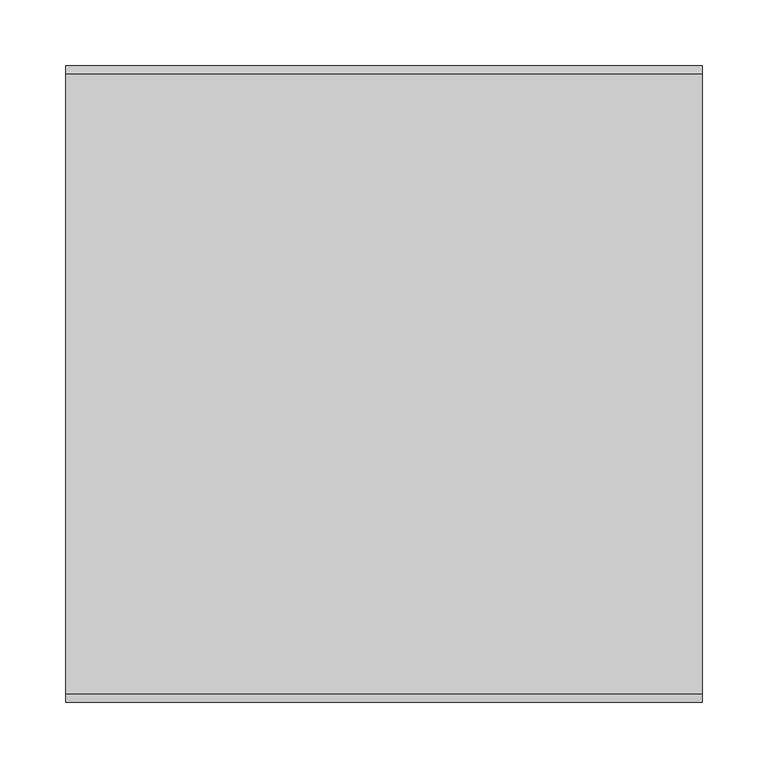
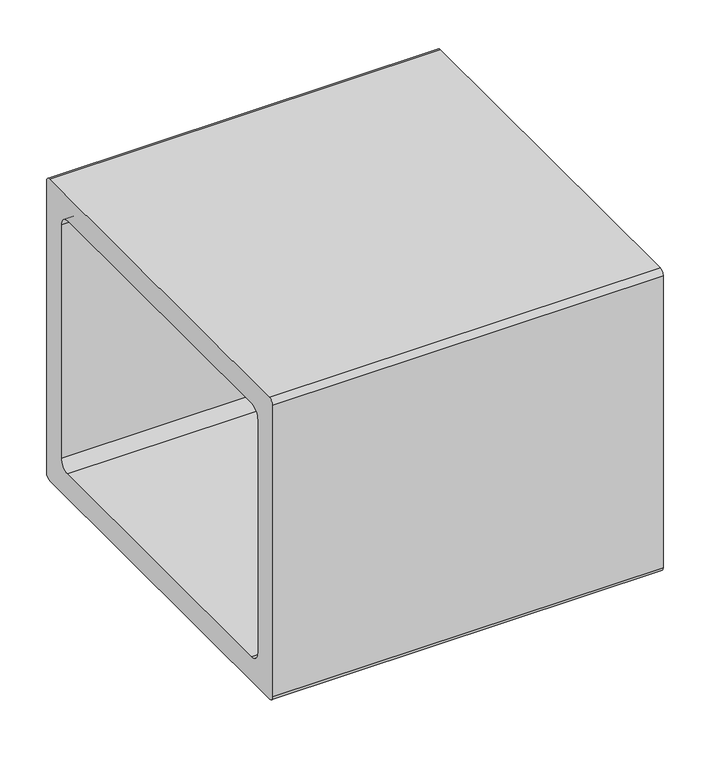
"""IFC4 building model written with IfcOpenShell, lengths in millimetres: furniture geometry."""

from ifc_helpers import new_model, si_unit, point, frame, frame_2d, origin, place, context, project, spatial, polyline, circle_curve, trimmed, segment, composite_curve, outline, extrude, faceted_brep, source, transform, mapped, element, save


def furniture_41b2c710(model_context):
    return source(origin(), model_context, "Body", "SolidModel", [
        faceted_brep([(143.612495, 184.9592493, 25.4000008), (140.437489, 181.7842432, 25.4000008), (140.437489, 137.3342311, 25.4000008), (143.612495, 134.1592432, 25.4000008), (188.062489, 134.1592432, 25.4000008), (191.237495, 137.3342311, 25.4000008), (191.237495, 181.7842432, 25.4000008), (188.062489, 184.9592493, 25.4000008), (191.237495, 188.1342372, 0.0), (194.4124829, 184.9592493, 0.0), (194.4124829, 134.1592432, 0.0), (191.237495, 130.9842553, 0.0), (140.437489, 130.9842553, 0.0), (137.2624829, 134.1592432, 0.0), (137.2624829, 184.9592493, 0.0), (140.437489, 188.1342372, 0.0), (143.612495, 184.9592493, 3.1750001), (140.437489, 181.7842432, 3.1750001), (140.437489, 137.3342311, 3.1750001), (143.612495, 134.1592432, 3.1750001), (188.062489, 134.1592432, 3.1750001), (191.237495, 137.3342311, 3.1750001), (191.237495, 181.7842432, 3.1750001), (188.062489, 184.9592493, 3.1750001), (191.237495, 188.1342372, 3.1750001), (140.437489, 188.1342372, 3.1750001), (137.2624829, 184.9592493, 3.1750001), (137.2624829, 134.1592432, 3.1750001), (140.437489, 130.9842553, 3.1750001), (191.237495, 130.9842553, 3.1750001), (194.4124829, 134.1592432, 3.1750001), (194.4124829, 184.9592493, 3.1750001)], [[[0, 1, 2, 3, 4, 5, 6, 7]], [[8, 9, 10, 11, 12, 13, 14, 15]], [[1, 0, 16, 17]], [[2, 1, 17, 18]], [[3, 2, 18, 19]], [[4, 3, 19, 20]], [[5, 4, 20, 21]], [[6, 5, 21, 22]], [[7, 6, 22, 23]], [[0, 7, 23, 16]], [[24, 25, 26, 27, 28, 29, 30, 31], [17, 16, 23, 22, 21, 20, 19, 18]], [[25, 24, 8, 15]], [[26, 25, 15, 14]], [[27, 26, 14, 13]], [[28, 27, 13, 12]], [[29, 28, 12, 11]], [[30, 29, 11, 10]], [[31, 30, 10, 9]], [[24, 31, 9, 8]]]),
        faceted_brep([(-186.587511, 184.9592493, 25.4000008), (-189.7625171, 181.7842432, 25.4000008), (-189.7625171, 137.3342311, 25.4000008), (-186.587511, 134.1592432, 25.4000008), (-142.1375171, 134.1592432, 25.4000008), (-138.962511, 137.3342311, 25.4000008), (-138.962511, 181.7842432, 25.4000008), (-142.1375171, 184.9592493, 25.4000008), (-138.962511, 188.1342372, 0.0), (-135.7875231, 184.9592493, 0.0), (-135.7875231, 134.1592432, 0.0), (-138.962511, 130.9842553, 0.0), (-189.7625171, 130.9842553, 0.0), (-192.9375231, 134.1592432, 0.0), (-192.9375231, 184.9592493, 0.0), (-189.7625171, 188.1342372, 0.0), (-186.587511, 184.9592493, 3.1750001), (-189.7625171, 181.7842432, 3.1750001), (-189.7625171, 137.3342311, 3.1750001), (-186.587511, 134.1592432, 3.1750001), (-142.1375171, 134.1592432, 3.1750001), (-138.962511, 137.3342311, 3.1750001), (-138.962511, 181.7842432, 3.1750001), (-142.1375171, 184.9592493, 3.1750001), (-138.962511, 188.1342372, 3.1750001), (-189.7625171, 188.1342372, 3.1750001), (-192.9375231, 184.9592493, 3.1750001), (-192.9375231, 134.1592432, 3.1750001), (-189.7625171, 130.9842553, 3.1750001), (-138.962511, 130.9842553, 3.1750001), (-135.7875231, 134.1592432, 3.1750001), (-135.7875231, 184.9592493, 3.1750001)], [[[0, 1, 2, 3, 4, 5, 6, 7]], [[8, 9, 10, 11, 12, 13, 14, 15]], [[1, 0, 16, 17]], [[2, 1, 17, 18]], [[3, 2, 18, 19]], [[4, 3, 19, 20]], [[5, 4, 20, 21]], [[6, 5, 21, 22]], [[7, 6, 22, 23]], [[0, 7, 23, 16]], [[24, 25, 26, 27, 28, 29, 30, 31], [17, 16, 23, 22, 21, 20, 19, 18]], [[25, 24, 8, 15]], [[26, 25, 15, 14]], [[27, 26, 14, 13]], [[28, 27, 13, 12]], [[29, 28, 12, 11]], [[30, 29, 11, 10]], [[31, 30, 10, 9]], [[24, 31, 9, 8]]]),
        faceted_brep([(-138.962511, -142.0657568, 3.1750001), (-189.7625171, -142.0657568, 3.1750001), (-192.9375231, -145.2407447, 3.1750001), (-192.9375231, -196.0407507, 3.1750001), (-189.7625171, -199.2157386, 3.1750001), (-138.962511, -199.2157386, 3.1750001), (-135.7875231, -196.0407507, 3.1750001), (-135.7875231, -145.2407447, 3.1750001), (-189.7625171, -148.4157507, 3.1750001), (-186.587511, -145.2407447, 3.1750001), (-142.1375171, -145.2407447, 3.1750001), (-138.962511, -148.4157507, 3.1750001), (-138.962511, -192.8657628, 3.1750001), (-142.1375171, -196.0407507, 3.1750001), (-186.587511, -196.0407507, 3.1750001), (-189.7625171, -192.8657628, 3.1750001), (-138.962511, -142.0657568, 0.0), (-135.7875231, -145.2407447, 0.0), (-135.7875231, -196.0407507, 0.0), (-138.962511, -199.2157386, 0.0), (-189.7625171, -199.2157386, 0.0), (-192.9375231, -196.0407507, 0.0), (-192.9375231, -145.2407447, 0.0), (-189.7625171, -142.0657568, 0.0), (-186.587511, -145.2407447, 25.4000008), (-189.7625171, -148.4157507, 25.4000008), (-189.7625171, -192.8657628, 25.4000008), (-186.587511, -196.0407507, 25.4000008), (-142.1375171, -196.0407507, 25.4000008), (-138.962511, -192.8657628, 25.4000008), (-138.962511, -148.4157507, 25.4000008), (-142.1375171, -145.2407447, 25.4000008)], [[[0, 1, 2, 3, 4, 5, 6, 7], [8, 9, 10, 11, 12, 13, 14, 15]], [[16, 17, 18, 19, 20, 21, 22, 23]], [[1, 0, 16, 23]], [[2, 1, 23, 22]], [[3, 2, 22, 21]], [[4, 3, 21, 20]], [[5, 4, 20, 19]], [[6, 5, 19, 18]], [[7, 6, 18, 17]], [[0, 7, 17, 16]], [[24, 25, 26, 27, 28, 29, 30, 31]], [[25, 24, 9, 8]], [[26, 25, 8, 15]], [[27, 26, 15, 14]], [[28, 27, 14, 13]], [[29, 28, 13, 12]], [[30, 29, 12, 11]], [[31, 30, 11, 10]], [[24, 31, 10, 9]]]),
        faceted_brep([(143.612495, -145.2407447, 25.4000008), (140.437489, -148.4157507, 25.4000008), (140.437489, -192.8657628, 25.4000008), (143.612495, -196.0407507, 25.4000008), (188.062489, -196.0407507, 25.4000008), (191.237495, -192.8657628, 25.4000008), (191.237495, -148.4157507, 25.4000008), (188.062489, -145.2407447, 25.4000008), (191.237495, -142.0657568, 0.0), (194.4124829, -145.2407447, 0.0), (194.4124829, -196.0407507, 0.0), (191.237495, -199.2157386, 0.0), (140.437489, -199.2157386, 0.0), (137.2624829, -196.0407507, 0.0), (137.2624829, -145.2407447, 0.0), (140.437489, -142.0657568, 0.0), (143.612495, -145.2407447, 3.1750001), (140.437489, -148.4157507, 3.1750001), (140.437489, -192.8657628, 3.1750001), (143.612495, -196.0407507, 3.1750001), (188.062489, -196.0407507, 3.1750001), (191.237495, -192.8657628, 3.1750001), (191.237495, -148.4157507, 3.1750001), (188.062489, -145.2407447, 3.1750001), (191.237495, -142.0657568, 3.1750001), (140.437489, -142.0657568, 3.1750001), (137.2624829, -145.2407447, 3.1750001), (137.2624829, -196.0407507, 3.1750001), (140.437489, -199.2157386, 3.1750001), (191.237495, -199.2157386, 3.1750001), (194.4124829, -196.0407507, 3.1750001), (194.4124829, -145.2407447, 3.1750001)], [[[0, 1, 2, 3, 4, 5, 6, 7]], [[8, 9, 10, 11, 12, 13, 14, 15]], [[1, 0, 16, 17]], [[2, 1, 17, 18]], [[3, 2, 18, 19]], [[4, 3, 19, 20]], [[5, 4, 20, 21]], [[6, 5, 21, 22]], [[7, 6, 22, 23]], [[0, 7, 23, 16]], [[24, 25, 26, 27, 28, 29, 30, 31], [17, 16, 23, 22, 21, 20, 19, 18]], [[25, 24, 8, 15]], [[26, 25, 15, 14]], [[27, 26, 14, 13]], [[28, 27, 13, 12]], [[29, 28, 12, 11]], [[30, 29, 11, 10]], [[31, 30, 10, 9]], [[24, 31, 9, 8]]]),
        extrude(outline(composite_curve([segment(trimmed(circle_curve(frame_2d((230.9200592, 412.75)), 6.35), [point((230.9200592, 419.1))], [point((237.2700592, 412.75))], False, "CARTESIAN"), True, "CONTINUOUS"), segment(polyline([(237.2700592, 412.75), (237.2700592, 31.7500008)]), True, "CONTINUOUS"), segment(trimmed(circle_curve(frame_2d((230.9200592, 31.7500008)), 6.35), [point((237.2700592, 31.7500008))], [point((230.9200592, 25.4000008))], False, "CARTESIAN"), True, "CONTINUOUS"), segment(polyline([(230.9200592, 25.4000008), (-238.9799408, 25.4000008)]), True, "CONTINUOUS"), segment(trimmed(circle_curve(frame_2d((-238.9799408, 31.7500008)), 6.35), [point((-238.9799408, 25.4000008))], [point((-245.3299408, 31.7500008))], False, "CARTESIAN"), True, "CONTINUOUS"), segment(polyline([(-245.3299408, 31.7500008), (-245.3299408, 412.75)]), True, "CONTINUOUS"), segment(trimmed(circle_curve(frame_2d((-238.9799408, 412.75)), 6.35), [point((-245.3299408, 412.75))], [point((-238.9799408, 419.1))], False, "CARTESIAN"), True, "CONTINUOUS"), segment(polyline([(-238.9799408, 419.1), (230.9200592, 419.1)]), True, "CONTINUOUS")], self_intersect=False), holes=[composite_curve([segment(trimmed(circle_curve(frame_2d((-200.8799408, 374.710531)), 12.7), [point((-200.8799408, 387.410531))], [point((-213.5799408, 374.710531))], True, "CARTESIAN"), True, "CONTINUOUS"), segment(polyline([(-213.5799408, 374.710531), (-213.5799408, 69.9105189)]), True, "CONTINUOUS"), segment(trimmed(circle_curve(frame_2d((-200.8799408, 69.9105189)), 12.7), [point((-213.5799408, 69.9105189))], [point((-200.8799408, 57.2105189))], True, "CARTESIAN"), True, "CONTINUOUS"), segment(polyline([(-200.8799408, 57.2105189), (192.8200592, 57.2105189)]), True, "CONTINUOUS"), segment(trimmed(circle_curve(frame_2d((192.8200592, 69.9105189)), 12.7), [point((192.8200592, 57.2105189))], [point((205.5200592, 69.9105189))], True, "CARTESIAN"), True, "CONTINUOUS"), segment(polyline([(205.5200592, 69.9105189), (205.5200592, 374.710531)]), True, "CONTINUOUS"), segment(trimmed(circle_curve(frame_2d((192.8200592, 374.710531)), 12.7), [point((205.5200592, 374.710531))], [point((192.8200592, 387.410531))], True, "CARTESIAN"), True, "CONTINUOUS"), segment(polyline([(192.8200592, 387.410531), (-200.8799408, 387.410531)]), True, "CONTINUOUS")], self_intersect=False)]), frame((-241.3, 0.0, 0.0), z_axis=(1.0, 0.0, 0.0), x_axis=(0.0, 1.0, 0.0)), (0.0, 0.0, 1.0), 482.6),
    ])


if __name__ == "__main__":
    model = new_model("IFC4")
    model_context = context("Model", 3, world=origin())
    ifc_project = project(units=[si_unit("LENGTHUNIT", "METRE", prefix="MILLI")], contexts=[model_context])
    site = spatial("IfcSite", under=ifc_project)
    building = spatial("IfcBuilding", under=site)
    placement = place(None, origin())
    furniture_shape = furniture_41b2c710(model_context)
    element("IfcFurniture", 1, at=placement, inside=building, context=model_context, shape_type="MappedRepresentation", body=[
        mapped(furniture_shape, transform((0.0, 0.0, 0.0), x_axis=(1.0, 0.0, 0.0), y_axis=(0.0, 1.0, 0.0), z_axis=(0.0, 0.0, 1.0))),
    ])
    save(model, "model.ifc")
